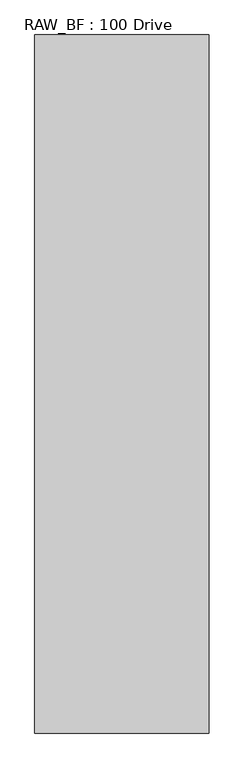
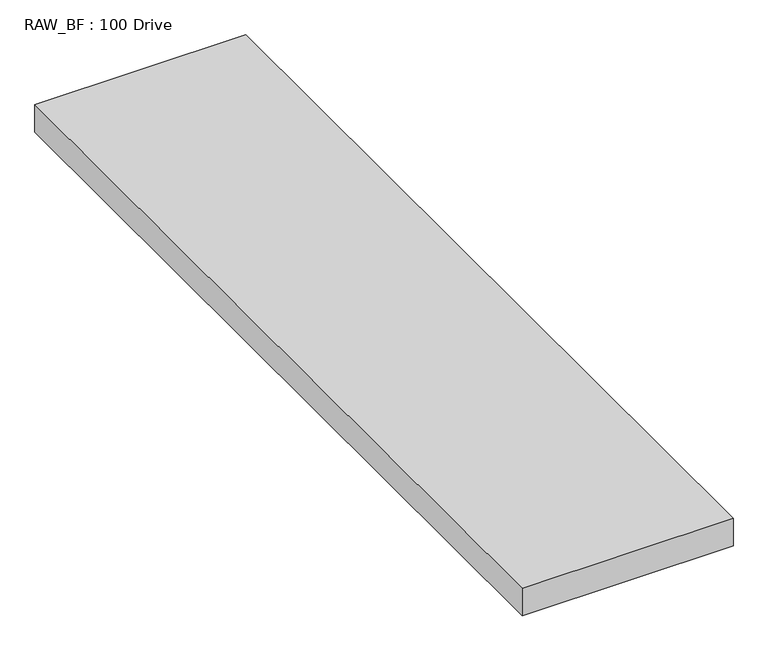
"""IFC4 building model written with IfcOpenShell, lengths in millimetres: proxy geometry, RAW_BF : 100 Drive."""

from ifc_helpers import new_model, si_unit, frame, origin, place, context, project, spatial, polyline, outline, extrude, source, transform, mapped, element, save


def raw_bf_100_drive_f39561aa(model_context):
    return source(origin(), model_context, "Body", "SweptSolid", [
        extrude(outline(polyline([(600.0, 0.0), (-600.0, 0.0), (-600.0, 4800.0), (600.0, 4800.0), (600.0, 0.0)])), frame((0.0, 0.0, -165.0), z_axis=(0.0, 0.0, 1.0), x_axis=(1.0, 0.0, 0.0)), (0.0, 0.0, 1.0), 165.0),
    ])


if __name__ == "__main__":
    model = new_model("IFC4")
    model_context = context("Model", 3, world=origin())
    ifc_project = project(units=[si_unit("LENGTHUNIT", "METRE", prefix="MILLI")], contexts=[model_context])
    site = spatial("IfcSite", under=ifc_project)
    building = spatial("IfcBuilding", under=site)
    placement = place(None, origin())
    raw_bf_100_drive_shape = raw_bf_100_drive_f39561aa(model_context)
    element("IfcBuildingElementProxy", 1, Name="RAW_BF : 100 Drive", ObjectType="RAW_BF : 100 Drive", at=placement, inside=building, context=model_context, shape_type="MappedRepresentation", body=[
        mapped(raw_bf_100_drive_shape, transform((0.0, 0.0, 0.0), x_axis=(1.0, 0.0, 0.0), y_axis=(0.0, 1.0, 0.0), z_axis=(0.0, 0.0, 1.0))),
    ])
    save(model, "model.ifc")
